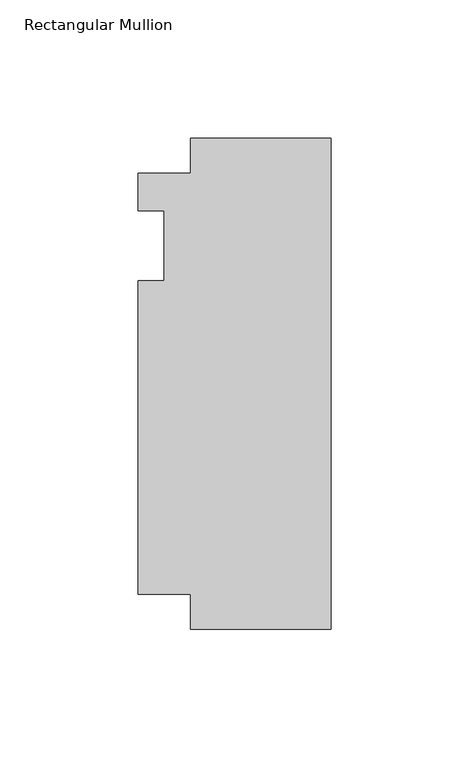
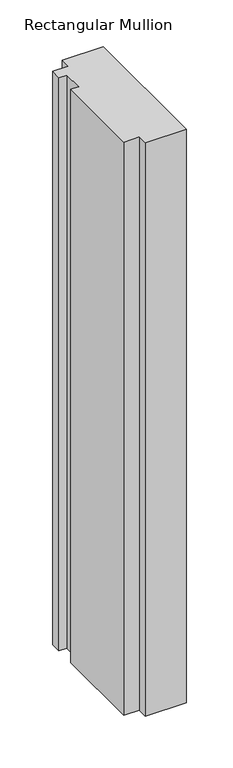
"""IFC4 building model written with IfcOpenShell, lengths in millimetres: member geometry, Rectangular Mullion."""

from ifc_helpers import new_model, si_unit, frame, origin, place, context, project, spatial, polyline, outline, extrude, source, transform, mapped, element, save


def rectangular_mullion_dc43b089(model_context):
    return source(origin(), model_context, "Body", "SweptSolid", [
        extrude(outline(polyline([(-69.85, 26.19375), (-50.8, 26.19375), (-50.8, 38.8943162), (0.0, 38.8943162), (0.0, -138.9068162), (-50.8, -138.9068162), (-50.8, -126.20625), (-69.85, -126.20625), (-69.85, -12.7), (-60.325, -12.7), (-60.325, 12.7), (-69.85, 12.7), (-69.85, 26.19375)])), frame((0.0, 0.0, -749.3), z_axis=(0.0, 0.0, 1.0), x_axis=(1.0, 0.0, 0.0)), (0.0, 0.0, 1.0), 749.3),
    ])


if __name__ == "__main__":
    model = new_model("IFC4")
    model_context = context("Model", 3, world=origin())
    ifc_project = project(units=[si_unit("LENGTHUNIT", "METRE", prefix="MILLI")], contexts=[model_context])
    site = spatial("IfcSite", under=ifc_project)
    building = spatial("IfcBuilding", under=site)
    placement = place(None, origin())
    rectangular_mullion_shape = rectangular_mullion_dc43b089(model_context)
    element("IfcMember", 1, ObjectType="Rectangular Mullion", at=placement, inside=building, context=model_context, shape_type="MappedRepresentation", body=[
        mapped(rectangular_mullion_shape, transform((0.0, 0.0, 0.0), x_axis=(1.0, 0.0, 0.0), y_axis=(0.0, 1.0, 0.0), z_axis=(0.0, 0.0, 1.0))),
    ])
    save(model, "model.ifc")
